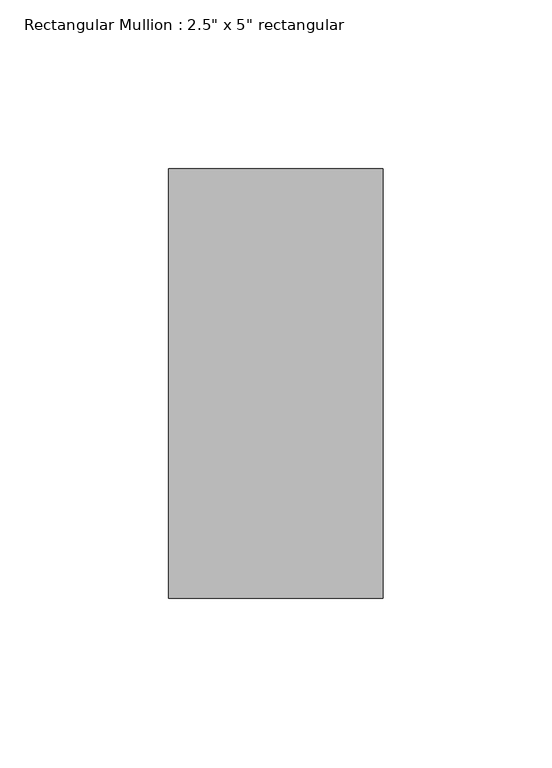
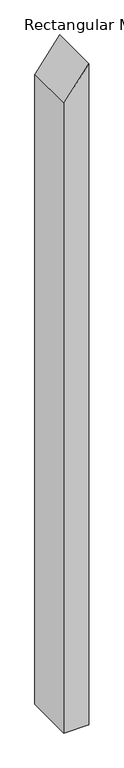
"""IFC4 building model written with IfcOpenShell, lengths in millimetres: member geometry."""

from ifc_helpers import new_model, si_unit, frame, origin, place, context, project, spatial, polyline, outline, extrude, source, transform, mapped, element, save


def member_1832961c(model_context):
    return source(origin(), model_context, "Body", "SweptSolid", [
        extrude(outline(polyline([(0.0, 0.0), (-84.9377702, -63.5), (-1775.7446968, -63.5), (-1775.7446968, 0.0), (0.0, 0.0)])), frame((0.0, -63.5, 0.0), z_axis=(0.0, 1.0, 0.0), x_axis=(0.0, 0.0, 1.0)), (0.0, 0.0, 1.0), 127.0),
    ])


if __name__ == "__main__":
    model = new_model("IFC4")
    model_context = context("Model", 3, world=origin())
    ifc_project = project(units=[si_unit("LENGTHUNIT", "METRE", prefix="MILLI")], contexts=[model_context])
    site = spatial("IfcSite", under=ifc_project)
    building = spatial("IfcBuilding", under=site)
    placement = place(None, origin())
    member_shape = member_1832961c(model_context)
    element("IfcMember", 1, ObjectType="Rectangular Mullion : 2.5\" x 5\" rectangular", at=placement, inside=building, context=model_context, shape_type="MappedRepresentation", body=[
        mapped(member_shape, transform((0.0, 0.0, 0.0), x_axis=(1.0, 0.0, 0.0), y_axis=(0.0, 1.0, 0.0), z_axis=(0.0, 0.0, 1.0))),
    ])
    save(model, "model.ifc")
